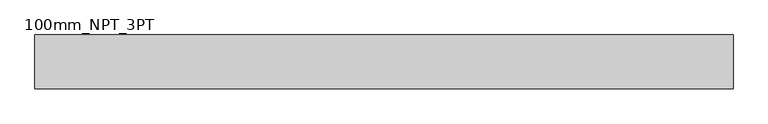
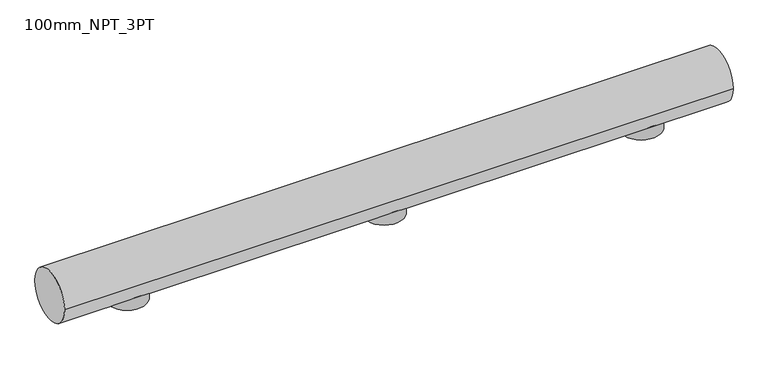
"""IFC4 building model written with IfcOpenShell, lengths in millimetres: proxy geometry, 100mm_NPT_3PT."""

import ifcopenshell
import ifcopenshell.guid

model = None  # the IFC model being written
_history = None  # IfcOwnerHistory: only IFC2X3 demands one
_inside = {}  # id of a spatial element -> (the spatial element, [elements in it])
_under = {}  # id of a project, library or spatial element -> (it, [spatial elements below it])
_declared = {}  # id of a project -> (the project, [libraries it declares])
_typed = {}  # id of a type object -> (the type object, [elements of that type])
_made_of = {}  # id of a material, layer set ... -> (it, [elements and type objects made of it])


def new_model(schema):
    """Start an empty IFC model of exactly this schema.

    Asked for "IFC4X3", IfcOpenShell would pick the latest addendum, in which some entities
    have other attributes; the version numbers below select the first issue.
    IFC2X3 requires an IfcOwnerHistory on every rooted entity: one is made here for all.
    """
    global model, _history
    if schema == "IFC4X3":
        model = ifcopenshell.file(schema_version=(4, 3, 0, 0))
    else:
        model = ifcopenshell.file(schema=schema)
    _inside.clear()
    _under.clear()
    _declared.clear()
    _typed.clear()
    _made_of.clear()
    _history = None
    if model.schema == "IFC2X3":
        org = make("IfcOrganization", Name="unknown")
        user = make(
            "IfcPersonAndOrganization",
            ThePerson=make("IfcPerson", FamilyName="unknown"),
            TheOrganization=org,
        )
        app = make(
            "IfcApplication",
            ApplicationDeveloper=org,
            Version="unknown",
            ApplicationFullName="unknown",
            ApplicationIdentifier="unknown",
        )
        _history = make(
            "IfcOwnerHistory",
            OwningUser=user,
            OwningApplication=app,
            ChangeAction="ADDED",
            CreationDate=0,
        )
    return model


def make(cls, **values):
    """One entity of the class cls with the attributes given. An attribute that is None is left unset."""
    return model.create_entity(
        cls, **{name: value for name, value in values.items() if value is not None}
    )


def rooted(cls, **values):
    """An entity with a GlobalId (a new one), such as an element, a storey or a relation."""
    return make(cls, GlobalId=ifcopenshell.guid.new(), OwnerHistory=_history, **values)


def si_unit(unit_type, name, prefix=None):
    """IfcSIUnit, for example si_unit("LENGTHUNIT", "METRE", prefix="MILLI")."""
    return make("IfcSIUnit", UnitType=unit_type, Prefix=prefix, Name=name)


def assignment(units):
    """IfcUnitAssignment: the units of a project."""
    return None if units is None else make("IfcUnitAssignment", Units=units)


def point(xyz):
    """IfcCartesianPoint."""
    return None if xyz is None else make("IfcCartesianPoint", Coordinates=xyz)


def direction(xyz):
    """IfcDirection."""
    return None if xyz is None else make("IfcDirection", DirectionRatios=xyz)


def frame(location, z_axis=None, x_axis=None):
    """IfcAxis2Placement3D, a coordinate frame: its origin and axes. An axis left out is left unset."""
    return make(
        "IfcAxis2Placement3D",
        Location=point(location),
        Axis=direction(z_axis),
        RefDirection=direction(x_axis),
    )


def frame_2d(location, x_axis=None):
    """IfcAxis2Placement2D, a coordinate frame in the plane: its origin and x axis."""
    return make(
        "IfcAxis2Placement2D", Location=point(location), RefDirection=direction(x_axis)
    )


def origin():
    """The frame at (0, 0, 0) with its axes left unset."""
    return frame((0.0, 0.0, 0.0))


def place(relative_to, where):
    """IfcLocalPlacement: puts the frame where relative to a parent placement (None: the world)."""
    return make(
        "IfcLocalPlacement", PlacementRelTo=relative_to, RelativePlacement=where
    )


def context(
    kind, dimensions, precision=None, world=None, true_north=None, identifier=None
):
    """IfcGeometricRepresentationContext, for example the 3D "Model" context."""
    return make(
        "IfcGeometricRepresentationContext",
        ContextIdentifier=identifier,
        ContextType=kind,
        CoordinateSpaceDimension=dimensions,
        Precision=precision,
        WorldCoordinateSystem=world,
        TrueNorth=true_north,
    )


def project(units=None, contexts=None):
    """IfcProject with its units and contexts."""
    return rooted(
        "IfcProject",
        Name="project",
        RepresentationContexts=contexts,
        UnitsInContext=assignment(units),
    )


def spatial(cls, under=None, at=None, **own):
    """A site, building, storey or space (cls), placed at a placement, below another one or the project."""
    s = rooted(cls, ObjectPlacement=at, **own)
    if under is not None:
        _under.setdefault(under.id(), (under, []))[1].append(s)
    return s


def circle_curve(where, radius):
    """IfcCircle in the frame where."""
    return make("IfcCircle", Position=where, Radius=radius)


def trimmed(basis, trim1, trim2, sense, master):
    """IfcTrimmedCurve: the piece of a basis curve between two trims."""
    return make(
        "IfcTrimmedCurve",
        BasisCurve=basis,
        Trim1=trim1,
        Trim2=trim2,
        SenseAgreement=sense,
        MasterRepresentation=master,
    )


def segment(curve, same_sense, transition):
    """IfcCompositeCurveSegment."""
    return make(
        "IfcCompositeCurveSegment",
        Transition=transition,
        SameSense=same_sense,
        ParentCurve=curve,
    )


def composite_curve(segments, self_intersect=None):
    """IfcCompositeCurve: segments joined end to end."""
    return make("IfcCompositeCurve", Segments=segments, SelfIntersect=self_intersect)


def outline(outer, holes=None, kind="AREA"):
    """IfcArbitraryClosedProfileDef: a profile drawn as a closed curve; with holes, ...WithVoids."""
    if holes is None:
        return make("IfcArbitraryClosedProfileDef", ProfileType=kind, OuterCurve=outer)
    return make(
        "IfcArbitraryProfileDefWithVoids",
        ProfileType=kind,
        OuterCurve=outer,
        InnerCurves=holes,
    )


def extrude(swept, where, along, depth):
    """IfcExtrudedAreaSolid: the profile swept, set in the frame where, extruded along a direction by depth."""
    return make(
        "IfcExtrudedAreaSolid",
        SweptArea=swept,
        Position=where,
        ExtrudedDirection=direction(along),
        Depth=depth,
    )


def shape(context_of_items, identifier, shape_type, items):
    """IfcShapeRepresentation: the items that make up one representation, for example the "Body"."""
    return make(
        "IfcShapeRepresentation",
        ContextOfItems=context_of_items,
        RepresentationIdentifier=identifier,
        RepresentationType=shape_type,
        Items=items,
    )


def source(mapping_origin, context_of_items, identifier, shape_type, items):
    """IfcRepresentationMap: a shape defined once, which mapped items show again and again."""
    return make(
        "IfcRepresentationMap",
        MappingOrigin=mapping_origin,
        MappedRepresentation=shape(context_of_items, identifier, shape_type, items),
    )


def transform(
    local_origin,
    x_axis=None,
    y_axis=None,
    z_axis=None,
    scale=None,
    scale2=None,
    scale3=None,
    uniform=True,
):
    """IfcCartesianTransformationOperator3D, or its non-uniform kind. x_axis, y_axis, z_axis: its Axis1, 2, 3."""
    if uniform:
        return make(
            "IfcCartesianTransformationOperator3D",
            Axis1=direction(x_axis),
            Axis2=direction(y_axis),
            LocalOrigin=point(local_origin),
            Scale=scale,
            Axis3=direction(z_axis),
        )
    return make(
        "IfcCartesianTransformationOperator3DnonUniform",
        Axis1=direction(x_axis),
        Axis2=direction(y_axis),
        LocalOrigin=point(local_origin),
        Scale=scale,
        Axis3=direction(z_axis),
        Scale2=scale2,
        Scale3=scale3,
    )


def mapped(mapping_source, mapping_target):
    """IfcMappedItem: shows the shape of a source again, moved by a transform."""
    return make(
        "IfcMappedItem", MappingSource=mapping_source, MappingTarget=mapping_target
    )


def made_of(thing, what):
    """Note that an element or type object is made of a material, layer set ...; save() writes the relation."""
    if what is not None:
        _made_of.setdefault(what.id(), (what, []))[1].append(thing)
    return thing


def element(
    cls,
    number,
    at=None,
    inside=None,
    cuts=None,
    type_object=None,
    material=None,
    context=None,
    identifier="Body",
    shape_type=None,
    held_by="IfcProductDefinitionShape",
    body=None,
    shapes=None,
    **own,
):
    """One element of the class cls, such as IfcWall. Its Tag is "e" and its number.

    at: its placement. inside: the storey or other place that contains it. cuts: it is an
    opening in that element (IfcRelVoidsElement). A single representation is given by context,
    identifier, shape_type and body (its items); several are given by shapes. held_by: the class
    of the entity that holds the representations. save() writes the other relations.
    """
    e = rooted(cls, Tag="e%d" % number, ObjectPlacement=at, **own)
    if body is not None:
        shapes = [shape(context, identifier, shape_type, body)]
    if shapes is not None:
        e.Representation = make(held_by, Representations=shapes)
    if inside is not None:
        _inside.setdefault(inside.id(), (inside, []))[1].append(e)
    if cuts is not None:
        rooted(
            "IfcRelVoidsElement", RelatingBuildingElement=cuts, RelatedOpeningElement=e
        )
    if type_object is not None:
        _typed.setdefault(type_object.id(), (type_object, []))[1].append(e)
    return made_of(e, material)


def aggregate(whole, parts):
    """IfcRelAggregates: a whole, such as a stair, and the parts it consists of."""
    return rooted("IfcRelAggregates", RelatingObject=whole, RelatedObjects=parts)


def save(model, path):
    """Write the relations noted so far, then the file.

    IfcRelAggregates (storeys below a building ...), IfcRelContainedInSpatialStructure (elements
    in a storey), IfcRelDefinesByType, IfcRelAssociatesMaterial and IfcRelDeclares: one each for
    every whole, place, type object, material and project.
    """
    for whole, parts in _under.values():
        aggregate(whole, parts)
    for where, things in _inside.values():
        rooted(
            "IfcRelContainedInSpatialStructure",
            RelatedElements=things,
            RelatingStructure=where,
        )
    for kind, things in _typed.values():
        rooted("IfcRelDefinesByType", RelatedObjects=things, RelatingType=kind)
    for what, things in _made_of.values():
        rooted("IfcRelAssociatesMaterial", RelatedObjects=things, RelatingMaterial=what)
    for by, libraries in _declared.values():
        rooted("IfcRelDeclares", RelatingContext=by, RelatedDefinitions=libraries)
    model.write(path)


def proxy_100mm_npt_3pt_1e56c507(model_context):
    return source(origin(), model_context, "Body", "SweptSolid", [
        extrude(outline(composite_curve([segment(trimmed(circle_curve(frame_2d((750.0, 0.0)), 38.0), [point((712.0, 0.0))], [point((788.0, 0.0))], False, "CARTESIAN"), True, "CONTINUOUS"), segment(trimmed(circle_curve(frame_2d((750.0, 0.0)), 38.0), [point((788.0, 0.0))], [point((712.0, 0.0))], False, "CARTESIAN"), True, "CONTINUOUS")], self_intersect=False)), frame((0.0, 0.0, -17.10201), z_axis=(0.0, 0.0, 1.0), x_axis=(1.0, 0.0, 0.0)), (0.0, 0.0, 1.0), 67.4327816),
        extrude(outline(composite_curve([segment(trimmed(circle_curve(frame_2d((250.0, 0.0)), 38.0), [point((212.0, 0.0))], [point((288.0, 0.0))], False, "CARTESIAN"), True, "CONTINUOUS"), segment(trimmed(circle_curve(frame_2d((250.0, 0.0)), 38.0), [point((288.0, 0.0))], [point((212.0, 0.0))], False, "CARTESIAN"), True, "CONTINUOUS")], self_intersect=False)), frame((0.0, 0.0, -17.10201), z_axis=(0.0, 0.0, 1.0), x_axis=(1.0, 0.0, 0.0)), (0.0, 0.0, 1.0), 67.4327816),
        extrude(outline(composite_curve([segment(trimmed(circle_curve(frame_2d((-250.0, 0.0)), 38.0), [point((-288.0, 0.0))], [point((-212.0, 0.0))], False, "CARTESIAN"), True, "CONTINUOUS"), segment(trimmed(circle_curve(frame_2d((-250.0, 0.0)), 38.0), [point((-212.0, 0.0))], [point((-288.0, 0.0))], False, "CARTESIAN"), True, "CONTINUOUS")], self_intersect=False)), frame((0.0, 0.0, -17.10201), z_axis=(0.0, 0.0, 1.0), x_axis=(1.0, 0.0, 0.0)), (0.0, 0.0, 1.0), 67.4327816),
        extrude(outline(composite_curve([segment(trimmed(circle_curve(frame_2d((0.0, 40.0)), 50.0), [point((-50.0, 40.0))], [point((50.0, 40.0))], False, "CARTESIAN"), True, "CONTINUOUS"), segment(trimmed(circle_curve(frame_2d((0.0, 40.0)), 50.0), [point((50.0, 40.0))], [point((-50.0, 40.0))], False, "CARTESIAN"), True, "CONTINUOUS")], self_intersect=False)), frame((-400.0, 0.0, 0.0), z_axis=(1.0, 0.0, 0.0), x_axis=(0.0, 1.0, 0.0)), (0.0, 0.0, 1.0), 1300.0),
    ])


if __name__ == "__main__":
    model = new_model("IFC4")
    model_context = context("Model", 3, world=origin())
    ifc_project = project(units=[si_unit("LENGTHUNIT", "METRE", prefix="MILLI")], contexts=[model_context])
    site = spatial("IfcSite", under=ifc_project)
    building = spatial("IfcBuilding", under=site)
    placement = place(None, origin())
    proxy_100mm_npt_3pt_shape = proxy_100mm_npt_3pt_1e56c507(model_context)
    element("IfcBuildingElementProxy", 1, Name="100mm_NPT_3PT", ObjectType="100mm_NPT_3PT", at=placement, inside=building, context=model_context, shape_type="MappedRepresentation", body=[
        mapped(proxy_100mm_npt_3pt_shape, transform((0.0, 0.0, 0.0), x_axis=(1.0, 0.0, 0.0), y_axis=(0.0, 1.0, 0.0), z_axis=(0.0, 0.0, 1.0))),
    ])
    save(model, "model.ifc")
